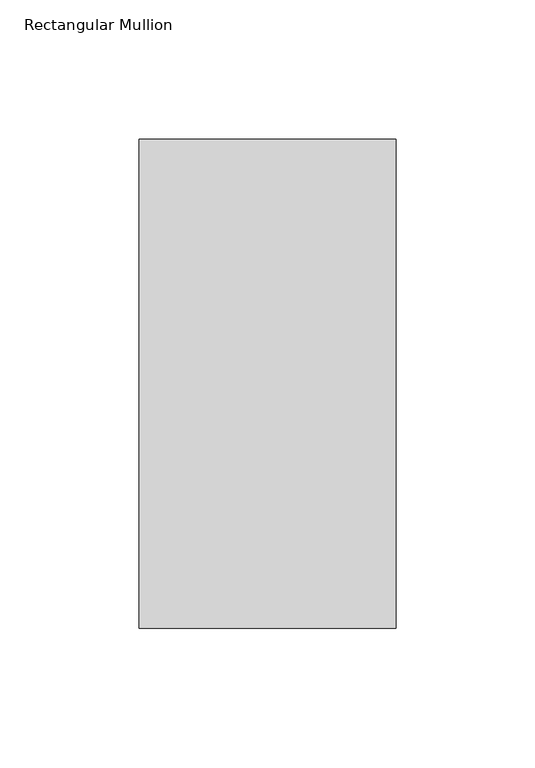
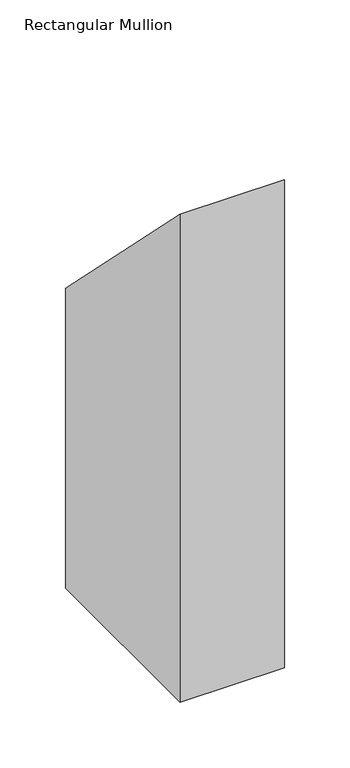
"""IFC4 building model written with IfcOpenShell, lengths in millimetres: member geometry, Rectangular Mullion."""

import ifcopenshell
import ifcopenshell.guid

model = None  # the IFC model being written
_history = None  # IfcOwnerHistory: only IFC2X3 demands one
_inside = {}  # id of a spatial element -> (the spatial element, [elements in it])
_under = {}  # id of a project, library or spatial element -> (it, [spatial elements below it])
_declared = {}  # id of a project -> (the project, [libraries it declares])
_typed = {}  # id of a type object -> (the type object, [elements of that type])
_made_of = {}  # id of a material, layer set ... -> (it, [elements and type objects made of it])


def new_model(schema):
    """Start an empty IFC model of exactly this schema.

    Asked for "IFC4X3", IfcOpenShell would pick the latest addendum, in which some entities
    have other attributes; the version numbers below select the first issue.
    IFC2X3 requires an IfcOwnerHistory on every rooted entity: one is made here for all.
    """
    global model, _history
    if schema == "IFC4X3":
        model = ifcopenshell.file(schema_version=(4, 3, 0, 0))
    else:
        model = ifcopenshell.file(schema=schema)
    _inside.clear()
    _under.clear()
    _declared.clear()
    _typed.clear()
    _made_of.clear()
    _history = None
    if model.schema == "IFC2X3":
        org = make("IfcOrganization", Name="unknown")
        user = make(
            "IfcPersonAndOrganization",
            ThePerson=make("IfcPerson", FamilyName="unknown"),
            TheOrganization=org,
        )
        app = make(
            "IfcApplication",
            ApplicationDeveloper=org,
            Version="unknown",
            ApplicationFullName="unknown",
            ApplicationIdentifier="unknown",
        )
        _history = make(
            "IfcOwnerHistory",
            OwningUser=user,
            OwningApplication=app,
            ChangeAction="ADDED",
            CreationDate=0,
        )
    return model


def make(cls, **values):
    """One entity of the class cls with the attributes given. An attribute that is None is left unset."""
    return model.create_entity(
        cls, **{name: value for name, value in values.items() if value is not None}
    )


def rooted(cls, **values):
    """An entity with a GlobalId (a new one), such as an element, a storey or a relation."""
    return make(cls, GlobalId=ifcopenshell.guid.new(), OwnerHistory=_history, **values)


def si_unit(unit_type, name, prefix=None):
    """IfcSIUnit, for example si_unit("LENGTHUNIT", "METRE", prefix="MILLI")."""
    return make("IfcSIUnit", UnitType=unit_type, Prefix=prefix, Name=name)


def assignment(units):
    """IfcUnitAssignment: the units of a project."""
    return None if units is None else make("IfcUnitAssignment", Units=units)


def point(xyz):
    """IfcCartesianPoint."""
    return None if xyz is None else make("IfcCartesianPoint", Coordinates=xyz)


def direction(xyz):
    """IfcDirection."""
    return None if xyz is None else make("IfcDirection", DirectionRatios=xyz)


def frame(location, z_axis=None, x_axis=None):
    """IfcAxis2Placement3D, a coordinate frame: its origin and axes. An axis left out is left unset."""
    return make(
        "IfcAxis2Placement3D",
        Location=point(location),
        Axis=direction(z_axis),
        RefDirection=direction(x_axis),
    )


def origin():
    """The frame at (0, 0, 0) with its axes left unset."""
    return frame((0.0, 0.0, 0.0))


def place(relative_to, where):
    """IfcLocalPlacement: puts the frame where relative to a parent placement (None: the world)."""
    return make(
        "IfcLocalPlacement", PlacementRelTo=relative_to, RelativePlacement=where
    )


def context(
    kind, dimensions, precision=None, world=None, true_north=None, identifier=None
):
    """IfcGeometricRepresentationContext, for example the 3D "Model" context."""
    return make(
        "IfcGeometricRepresentationContext",
        ContextIdentifier=identifier,
        ContextType=kind,
        CoordinateSpaceDimension=dimensions,
        Precision=precision,
        WorldCoordinateSystem=world,
        TrueNorth=true_north,
    )


def project(units=None, contexts=None):
    """IfcProject with its units and contexts."""
    return rooted(
        "IfcProject",
        Name="project",
        RepresentationContexts=contexts,
        UnitsInContext=assignment(units),
    )


def spatial(cls, under=None, at=None, **own):
    """A site, building, storey or space (cls), placed at a placement, below another one or the project."""
    s = rooted(cls, ObjectPlacement=at, **own)
    if under is not None:
        _under.setdefault(under.id(), (under, []))[1].append(s)
    return s


def polyline(points):
    """IfcPolyline through the points."""
    return make("IfcPolyline", Points=[point(p) for p in points])


def outline(outer, holes=None, kind="AREA"):
    """IfcArbitraryClosedProfileDef: a profile drawn as a closed curve; with holes, ...WithVoids."""
    if holes is None:
        return make("IfcArbitraryClosedProfileDef", ProfileType=kind, OuterCurve=outer)
    return make(
        "IfcArbitraryProfileDefWithVoids",
        ProfileType=kind,
        OuterCurve=outer,
        InnerCurves=holes,
    )


def extrude(swept, where, along, depth):
    """IfcExtrudedAreaSolid: the profile swept, set in the frame where, extruded along a direction by depth."""
    return make(
        "IfcExtrudedAreaSolid",
        SweptArea=swept,
        Position=where,
        ExtrudedDirection=direction(along),
        Depth=depth,
    )


def shape(context_of_items, identifier, shape_type, items):
    """IfcShapeRepresentation: the items that make up one representation, for example the "Body"."""
    return make(
        "IfcShapeRepresentation",
        ContextOfItems=context_of_items,
        RepresentationIdentifier=identifier,
        RepresentationType=shape_type,
        Items=items,
    )


def source(mapping_origin, context_of_items, identifier, shape_type, items):
    """IfcRepresentationMap: a shape defined once, which mapped items show again and again."""
    return make(
        "IfcRepresentationMap",
        MappingOrigin=mapping_origin,
        MappedRepresentation=shape(context_of_items, identifier, shape_type, items),
    )


def transform(
    local_origin,
    x_axis=None,
    y_axis=None,
    z_axis=None,
    scale=None,
    scale2=None,
    scale3=None,
    uniform=True,
):
    """IfcCartesianTransformationOperator3D, or its non-uniform kind. x_axis, y_axis, z_axis: its Axis1, 2, 3."""
    if uniform:
        return make(
            "IfcCartesianTransformationOperator3D",
            Axis1=direction(x_axis),
            Axis2=direction(y_axis),
            LocalOrigin=point(local_origin),
            Scale=scale,
            Axis3=direction(z_axis),
        )
    return make(
        "IfcCartesianTransformationOperator3DnonUniform",
        Axis1=direction(x_axis),
        Axis2=direction(y_axis),
        LocalOrigin=point(local_origin),
        Scale=scale,
        Axis3=direction(z_axis),
        Scale2=scale2,
        Scale3=scale3,
    )


def mapped(mapping_source, mapping_target):
    """IfcMappedItem: shows the shape of a source again, moved by a transform."""
    return make(
        "IfcMappedItem", MappingSource=mapping_source, MappingTarget=mapping_target
    )


def made_of(thing, what):
    """Note that an element or type object is made of a material, layer set ...; save() writes the relation."""
    if what is not None:
        _made_of.setdefault(what.id(), (what, []))[1].append(thing)
    return thing


def element(
    cls,
    number,
    at=None,
    inside=None,
    cuts=None,
    type_object=None,
    material=None,
    context=None,
    identifier="Body",
    shape_type=None,
    held_by="IfcProductDefinitionShape",
    body=None,
    shapes=None,
    **own,
):
    """One element of the class cls, such as IfcWall. Its Tag is "e" and its number.

    at: its placement. inside: the storey or other place that contains it. cuts: it is an
    opening in that element (IfcRelVoidsElement). A single representation is given by context,
    identifier, shape_type and body (its items); several are given by shapes. held_by: the class
    of the entity that holds the representations. save() writes the other relations.
    """
    e = rooted(cls, Tag="e%d" % number, ObjectPlacement=at, **own)
    if body is not None:
        shapes = [shape(context, identifier, shape_type, body)]
    if shapes is not None:
        e.Representation = make(held_by, Representations=shapes)
    if inside is not None:
        _inside.setdefault(inside.id(), (inside, []))[1].append(e)
    if cuts is not None:
        rooted(
            "IfcRelVoidsElement", RelatingBuildingElement=cuts, RelatedOpeningElement=e
        )
    if type_object is not None:
        _typed.setdefault(type_object.id(), (type_object, []))[1].append(e)
    return made_of(e, material)


def aggregate(whole, parts):
    """IfcRelAggregates: a whole, such as a stair, and the parts it consists of."""
    return rooted("IfcRelAggregates", RelatingObject=whole, RelatedObjects=parts)


def save(model, path):
    """Write the relations noted so far, then the file.

    IfcRelAggregates (storeys below a building ...), IfcRelContainedInSpatialStructure (elements
    in a storey), IfcRelDefinesByType, IfcRelAssociatesMaterial and IfcRelDeclares: one each for
    every whole, place, type object, material and project.
    """
    for whole, parts in _under.values():
        aggregate(whole, parts)
    for where, things in _inside.values():
        rooted(
            "IfcRelContainedInSpatialStructure",
            RelatedElements=things,
            RelatingStructure=where,
        )
    for kind, things in _typed.values():
        rooted("IfcRelDefinesByType", RelatedObjects=things, RelatingType=kind)
    for what, things in _made_of.values():
        rooted("IfcRelAssociatesMaterial", RelatedObjects=things, RelatingMaterial=what)
    for by, libraries in _declared.values():
        rooted("IfcRelDeclares", RelatingContext=by, RelatedDefinitions=libraries)
    model.write(path)


def rectangular_mullion_e5dbc623(model_context):
    return source(origin(), model_context, "Body", "SweptSolid", [
        extrude(outline(polyline([(46.7447302, -46.7447302), (222.1571312, -222.1571312), (222.1571312, -501.65), (46.7447302, -501.65), (46.7447302, -46.7447302)])), frame((-92.0876999, 0.0, 0.0), z_axis=(1.0, 0.0, 0.0), x_axis=(0.0, 1.0, 0.0)), (0.0, 0.0, 1.0), 92.0876999),
    ])


if __name__ == "__main__":
    model = new_model("IFC4")
    model_context = context("Model", 3, world=origin())
    ifc_project = project(units=[si_unit("LENGTHUNIT", "METRE", prefix="MILLI")], contexts=[model_context])
    site = spatial("IfcSite", under=ifc_project)
    building = spatial("IfcBuilding", under=site)
    placement = place(None, origin())
    rectangular_mullion_shape = rectangular_mullion_e5dbc623(model_context)
    element("IfcMember", 1, ObjectType="Rectangular Mullion", at=placement, inside=building, context=model_context, shape_type="MappedRepresentation", body=[
        mapped(rectangular_mullion_shape, transform((0.0, 0.0, 0.0), x_axis=(1.0, 0.0, 0.0), y_axis=(0.0, 1.0, 0.0), z_axis=(0.0, 0.0, 1.0))),
    ])
    save(model, "model.ifc")
